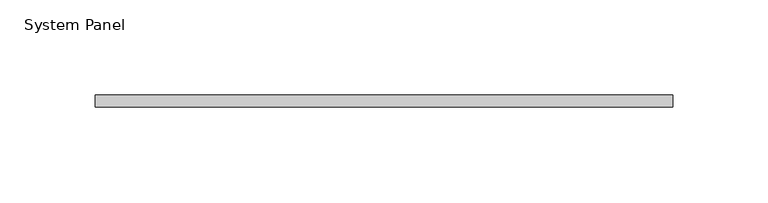
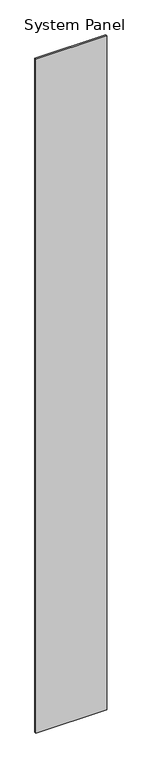
"""IFC4 building model written with IfcOpenShell, lengths in millimetres: plate geometry, System Panel."""

from ifc_helpers import new_model, si_unit, origin, origin_with_axes, place, context, project, spatial, polyline, outline, extrude, source, transform, mapped, element, save


def system_panel_5f031a49(model_context):
    return source(origin(), model_context, "Body", "SweptSolid", [
        extrude(outline(polyline([(151.770225, 0.0), (-151.770225, 0.0), (-151.770225, 6.35), (151.770225, 6.35), (151.770225, 0.0)])), origin_with_axes(), (0.0, 0.0, 1.0), 3048.0),
    ])


if __name__ == "__main__":
    model = new_model("IFC4")
    model_context = context("Model", 3, world=origin())
    ifc_project = project(units=[si_unit("LENGTHUNIT", "METRE", prefix="MILLI")], contexts=[model_context])
    site = spatial("IfcSite", under=ifc_project)
    building = spatial("IfcBuilding", under=site)
    placement = place(None, origin())
    system_panel_shape = system_panel_5f031a49(model_context)
    element("IfcPlate", 1, ObjectType="System Panel", at=placement, inside=building, context=model_context, shape_type="MappedRepresentation", body=[
        mapped(system_panel_shape, transform((0.0, 0.0, 0.0), x_axis=(1.0, 0.0, 0.0), y_axis=(0.0, 1.0, 0.0), z_axis=(0.0, 0.0, 1.0))),
    ])
    save(model, "model.ifc")
